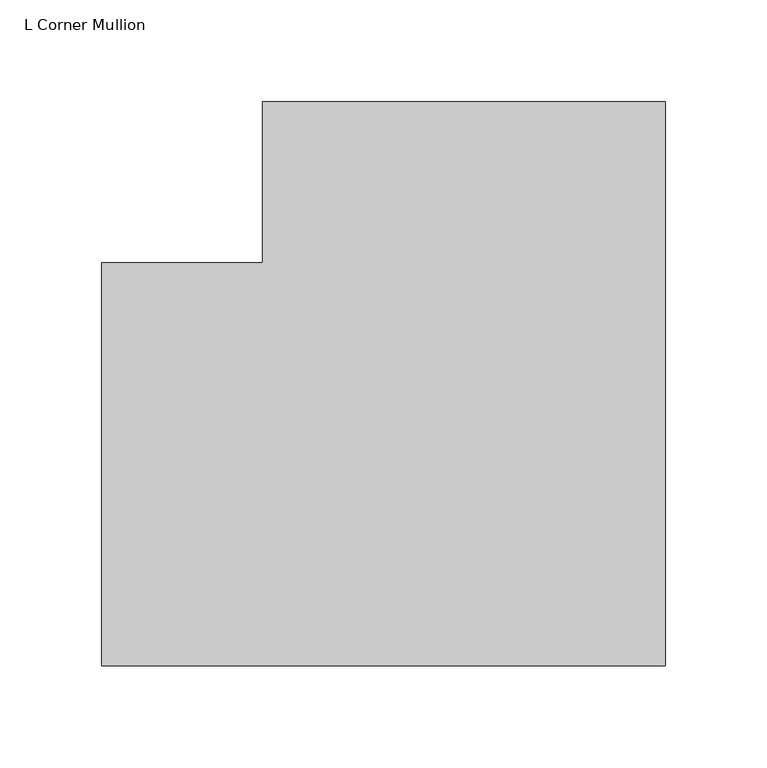
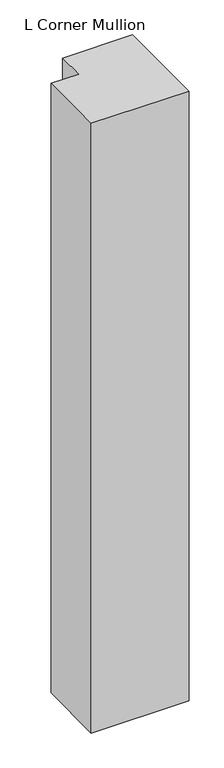
"""IFC4 building model written with IfcOpenShell, lengths in millimetres: member geometry, L Corner Mullion."""

from ifc_helpers import new_model, si_unit, frame, origin, place, context, project, spatial, polyline, outline, extrude, source, transform, mapped, element, save


def l_corner_mullion_338ca39c(model_context):
    return source(origin(), model_context, "Body", "SweptSolid", [
        extrude(outline(polyline([(156.36875, 121.44375), (156.36875, -156.36875), (-121.44375, -156.36875), (-121.44375, 42.06875), (-42.06875, 42.06875), (-42.06875, 121.44375), (156.36875, 121.44375)])), frame((0.0, 0.0, -1828.8), z_axis=(0.0, 0.0, 1.0), x_axis=(1.0, 0.0, 0.0)), (0.0, 0.0, 1.0), 1828.8),
    ])


if __name__ == "__main__":
    model = new_model("IFC4")
    model_context = context("Model", 3, world=origin())
    ifc_project = project(units=[si_unit("LENGTHUNIT", "METRE", prefix="MILLI")], contexts=[model_context])
    site = spatial("IfcSite", under=ifc_project)
    building = spatial("IfcBuilding", under=site)
    placement = place(None, origin())
    l_corner_mullion_shape = l_corner_mullion_338ca39c(model_context)
    element("IfcMember", 1, ObjectType="L Corner Mullion", at=placement, inside=building, context=model_context, shape_type="MappedRepresentation", body=[
        mapped(l_corner_mullion_shape, transform((0.0, 0.0, 0.0), x_axis=(1.0, 0.0, 0.0), y_axis=(0.0, 1.0, 0.0), z_axis=(0.0, 0.0, 1.0))),
    ])
    save(model, "model.ifc")
